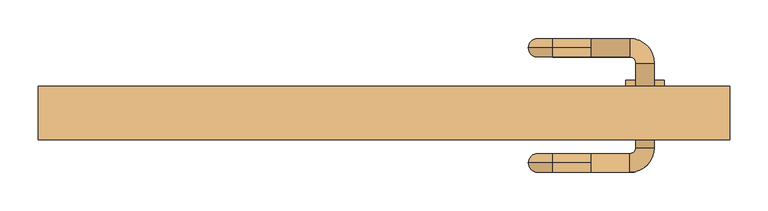
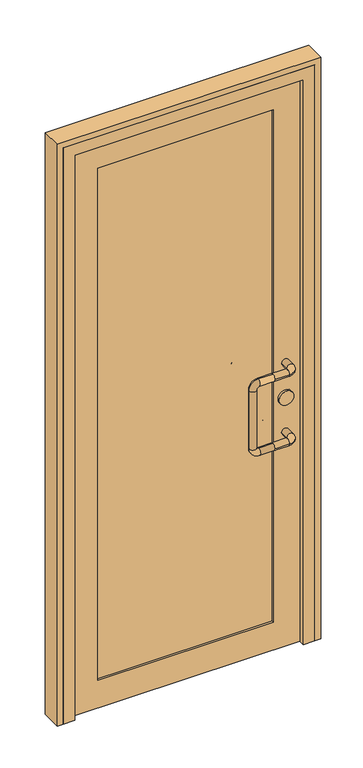
"""IFC4 building model written with IfcOpenShell, lengths in millimetres: door geometry."""

import ifcopenshell
import ifcopenshell.guid

model = None  # the IFC model being written
_history = None  # IfcOwnerHistory: only IFC2X3 demands one
_inside = {}  # id of a spatial element -> (the spatial element, [elements in it])
_under = {}  # id of a project, library or spatial element -> (it, [spatial elements below it])
_declared = {}  # id of a project -> (the project, [libraries it declares])
_typed = {}  # id of a type object -> (the type object, [elements of that type])
_made_of = {}  # id of a material, layer set ... -> (it, [elements and type objects made of it])


def new_model(schema):
    """Start an empty IFC model of exactly this schema.

    Asked for "IFC4X3", IfcOpenShell would pick the latest addendum, in which some entities
    have other attributes; the version numbers below select the first issue.
    IFC2X3 requires an IfcOwnerHistory on every rooted entity: one is made here for all.
    """
    global model, _history
    if schema == "IFC4X3":
        model = ifcopenshell.file(schema_version=(4, 3, 0, 0))
    else:
        model = ifcopenshell.file(schema=schema)
    _inside.clear()
    _under.clear()
    _declared.clear()
    _typed.clear()
    _made_of.clear()
    _history = None
    if model.schema == "IFC2X3":
        org = make("IfcOrganization", Name="unknown")
        user = make(
            "IfcPersonAndOrganization",
            ThePerson=make("IfcPerson", FamilyName="unknown"),
            TheOrganization=org,
        )
        app = make(
            "IfcApplication",
            ApplicationDeveloper=org,
            Version="unknown",
            ApplicationFullName="unknown",
            ApplicationIdentifier="unknown",
        )
        _history = make(
            "IfcOwnerHistory",
            OwningUser=user,
            OwningApplication=app,
            ChangeAction="ADDED",
            CreationDate=0,
        )
    return model


def make(cls, **values):
    """One entity of the class cls with the attributes given. An attribute that is None is left unset."""
    return model.create_entity(
        cls, **{name: value for name, value in values.items() if value is not None}
    )


def rooted(cls, **values):
    """An entity with a GlobalId (a new one), such as an element, a storey or a relation."""
    return make(cls, GlobalId=ifcopenshell.guid.new(), OwnerHistory=_history, **values)


def si_unit(unit_type, name, prefix=None):
    """IfcSIUnit, for example si_unit("LENGTHUNIT", "METRE", prefix="MILLI")."""
    return make("IfcSIUnit", UnitType=unit_type, Prefix=prefix, Name=name)


def assignment(units):
    """IfcUnitAssignment: the units of a project."""
    return None if units is None else make("IfcUnitAssignment", Units=units)


def point(xyz):
    """IfcCartesianPoint."""
    return None if xyz is None else make("IfcCartesianPoint", Coordinates=xyz)


def direction(xyz):
    """IfcDirection."""
    return None if xyz is None else make("IfcDirection", DirectionRatios=xyz)


def frame(location, z_axis=None, x_axis=None):
    """IfcAxis2Placement3D, a coordinate frame: its origin and axes. An axis left out is left unset."""
    return make(
        "IfcAxis2Placement3D",
        Location=point(location),
        Axis=direction(z_axis),
        RefDirection=direction(x_axis),
    )


def frame_2d(location, x_axis=None):
    """IfcAxis2Placement2D, a coordinate frame in the plane: its origin and x axis."""
    return make(
        "IfcAxis2Placement2D", Location=point(location), RefDirection=direction(x_axis)
    )


def origin():
    """The frame at (0, 0, 0) with its axes left unset."""
    return frame((0.0, 0.0, 0.0))


def place(relative_to, where):
    """IfcLocalPlacement: puts the frame where relative to a parent placement (None: the world)."""
    return make(
        "IfcLocalPlacement", PlacementRelTo=relative_to, RelativePlacement=where
    )


def context(
    kind, dimensions, precision=None, world=None, true_north=None, identifier=None
):
    """IfcGeometricRepresentationContext, for example the 3D "Model" context."""
    return make(
        "IfcGeometricRepresentationContext",
        ContextIdentifier=identifier,
        ContextType=kind,
        CoordinateSpaceDimension=dimensions,
        Precision=precision,
        WorldCoordinateSystem=world,
        TrueNorth=true_north,
    )


def project(units=None, contexts=None):
    """IfcProject with its units and contexts."""
    return rooted(
        "IfcProject",
        Name="project",
        RepresentationContexts=contexts,
        UnitsInContext=assignment(units),
    )


def spatial(cls, under=None, at=None, **own):
    """A site, building, storey or space (cls), placed at a placement, below another one or the project."""
    s = rooted(cls, ObjectPlacement=at, **own)
    if under is not None:
        _under.setdefault(under.id(), (under, []))[1].append(s)
    return s


def polyline(points):
    """IfcPolyline through the points."""
    return make("IfcPolyline", Points=[point(p) for p in points])


def circle_curve(where, radius):
    """IfcCircle in the frame where."""
    return make("IfcCircle", Position=where, Radius=radius)


def ellipse_curve(where, semi_axis1, semi_axis2):
    """IfcEllipse in the frame where."""
    return make(
        "IfcEllipse", Position=where, SemiAxis1=semi_axis1, SemiAxis2=semi_axis2
    )


def trimmed(basis, trim1, trim2, sense, master):
    """IfcTrimmedCurve: the piece of a basis curve between two trims."""
    return make(
        "IfcTrimmedCurve",
        BasisCurve=basis,
        Trim1=trim1,
        Trim2=trim2,
        SenseAgreement=sense,
        MasterRepresentation=master,
    )


def segment(curve, same_sense, transition):
    """IfcCompositeCurveSegment."""
    return make(
        "IfcCompositeCurveSegment",
        Transition=transition,
        SameSense=same_sense,
        ParentCurve=curve,
    )


def composite_curve(segments, self_intersect=None):
    """IfcCompositeCurve: segments joined end to end."""
    return make("IfcCompositeCurve", Segments=segments, SelfIntersect=self_intersect)


def outline(outer, holes=None, kind="AREA"):
    """IfcArbitraryClosedProfileDef: a profile drawn as a closed curve; with holes, ...WithVoids."""
    if holes is None:
        return make("IfcArbitraryClosedProfileDef", ProfileType=kind, OuterCurve=outer)
    return make(
        "IfcArbitraryProfileDefWithVoids",
        ProfileType=kind,
        OuterCurve=outer,
        InnerCurves=holes,
    )


def extrude(swept, where, along, depth):
    """IfcExtrudedAreaSolid: the profile swept, set in the frame where, extruded along a direction by depth."""
    return make(
        "IfcExtrudedAreaSolid",
        SweptArea=swept,
        Position=where,
        ExtrudedDirection=direction(along),
        Depth=depth,
    )


def faces_of(points, faces, orient=None, outer=None):
    """IfcFace entities. A face is a list of loops; a loop is a list of indices into points, from 0.

    orient and outer hold one flag for each loop. By default every Orientation is true, the
    first loop of a face is its IfcFaceOuterBound and the others are IfcFaceBound.
    """
    made = []
    for i, loops in enumerate(faces):
        bounds = []
        for j, loop in enumerate(loops):
            is_outer = j == 0 if outer is None else outer[i][j]
            bounds.append(
                make(
                    "IfcFaceOuterBound" if is_outer else "IfcFaceBound",
                    Bound=make("IfcPolyLoop", Polygon=[points[k] for k in loop]),
                    Orientation=True if orient is None else orient[i][j],
                )
            )
        made.append(make("IfcFace", Bounds=bounds))
    return made


def faceted_brep(points, faces, orient=None, outer=None, voids=None):
    """IfcFacetedBrep: a solid bounded by flat faces; with voids (closed shells), ...WithVoids."""
    shared = [point(p) for p in points]
    hull = make("IfcClosedShell", CfsFaces=faces_of(shared, faces, orient, outer))
    if voids is None:
        return make("IfcFacetedBrep", Outer=hull)
    return make(
        "IfcFacetedBrepWithVoids",
        Outer=hull,
        Voids=[
            make(cls, CfsFaces=faces_of(shared, fs, o, b)) for cls, fs, o, b in voids
        ],
    )


def shape(context_of_items, identifier, shape_type, items):
    """IfcShapeRepresentation: the items that make up one representation, for example the "Body"."""
    return make(
        "IfcShapeRepresentation",
        ContextOfItems=context_of_items,
        RepresentationIdentifier=identifier,
        RepresentationType=shape_type,
        Items=items,
    )


def source(mapping_origin, context_of_items, identifier, shape_type, items):
    """IfcRepresentationMap: a shape defined once, which mapped items show again and again."""
    return make(
        "IfcRepresentationMap",
        MappingOrigin=mapping_origin,
        MappedRepresentation=shape(context_of_items, identifier, shape_type, items),
    )


def transform(
    local_origin,
    x_axis=None,
    y_axis=None,
    z_axis=None,
    scale=None,
    scale2=None,
    scale3=None,
    uniform=True,
):
    """IfcCartesianTransformationOperator3D, or its non-uniform kind. x_axis, y_axis, z_axis: its Axis1, 2, 3."""
    if uniform:
        return make(
            "IfcCartesianTransformationOperator3D",
            Axis1=direction(x_axis),
            Axis2=direction(y_axis),
            LocalOrigin=point(local_origin),
            Scale=scale,
            Axis3=direction(z_axis),
        )
    return make(
        "IfcCartesianTransformationOperator3DnonUniform",
        Axis1=direction(x_axis),
        Axis2=direction(y_axis),
        LocalOrigin=point(local_origin),
        Scale=scale,
        Axis3=direction(z_axis),
        Scale2=scale2,
        Scale3=scale3,
    )


def mapped(mapping_source, mapping_target):
    """IfcMappedItem: shows the shape of a source again, moved by a transform."""
    return make(
        "IfcMappedItem", MappingSource=mapping_source, MappingTarget=mapping_target
    )


def made_of(thing, what):
    """Note that an element or type object is made of a material, layer set ...; save() writes the relation."""
    if what is not None:
        _made_of.setdefault(what.id(), (what, []))[1].append(thing)
    return thing


def element(
    cls,
    number,
    at=None,
    inside=None,
    cuts=None,
    type_object=None,
    material=None,
    context=None,
    identifier="Body",
    shape_type=None,
    held_by="IfcProductDefinitionShape",
    body=None,
    shapes=None,
    **own,
):
    """One element of the class cls, such as IfcWall. Its Tag is "e" and its number.

    at: its placement. inside: the storey or other place that contains it. cuts: it is an
    opening in that element (IfcRelVoidsElement). A single representation is given by context,
    identifier, shape_type and body (its items); several are given by shapes. held_by: the class
    of the entity that holds the representations. save() writes the other relations.
    """
    e = rooted(cls, Tag="e%d" % number, ObjectPlacement=at, **own)
    if body is not None:
        shapes = [shape(context, identifier, shape_type, body)]
    if shapes is not None:
        e.Representation = make(held_by, Representations=shapes)
    if inside is not None:
        _inside.setdefault(inside.id(), (inside, []))[1].append(e)
    if cuts is not None:
        rooted(
            "IfcRelVoidsElement", RelatingBuildingElement=cuts, RelatedOpeningElement=e
        )
    if type_object is not None:
        _typed.setdefault(type_object.id(), (type_object, []))[1].append(e)
    return made_of(e, material)


def aggregate(whole, parts):
    """IfcRelAggregates: a whole, such as a stair, and the parts it consists of."""
    return rooted("IfcRelAggregates", RelatingObject=whole, RelatedObjects=parts)


def save(model, path):
    """Write the relations noted so far, then the file.

    IfcRelAggregates (storeys below a building ...), IfcRelContainedInSpatialStructure (elements
    in a storey), IfcRelDefinesByType, IfcRelAssociatesMaterial and IfcRelDeclares: one each for
    every whole, place, type object, material and project.
    """
    for whole, parts in _under.values():
        aggregate(whole, parts)
    for where, things in _inside.values():
        rooted(
            "IfcRelContainedInSpatialStructure",
            RelatedElements=things,
            RelatingStructure=where,
        )
    for kind, things in _typed.values():
        rooted("IfcRelDefinesByType", RelatedObjects=things, RelatingType=kind)
    for what, things in _made_of.values():
        rooted("IfcRelAssociatesMaterial", RelatedObjects=things, RelatingMaterial=what)
    for by, libraries in _declared.values():
        rooted("IfcRelDeclares", RelatingContext=by, RelatedDefinitions=libraries)
    model.write(path)


def cylinder_surface(at, radius):
    """IfcCylindricalSurface: all points at the distance radius from the z axis of the frame at."""
    return make("IfcCylindricalSurface", Position=at, Radius=radius)


def revolved_surface(curve, axis_point, axis_direction):
    """IfcSurfaceOfRevolution: the curve turned about the line through axis_point along axis_direction."""
    return make(
        "IfcSurfaceOfRevolution",
        SweptCurve=make("IfcArbitraryOpenProfileDef", ProfileType="CURVE", Curve=curve),
        AxisPosition=make("IfcAxis1Placement", Location=point(axis_point), Axis=direction(axis_direction)),
    )


def advanced_brep(points, edges, surfaces, faces):
    """IfcAdvancedBrep: a solid bounded by faces that lie on surfaces and meet in shared edges.

    An edge is (start, end): straight between two places in points (the first is 0);
    or (start, end, curve); or (start, end, curve, False) where it runs against its curve.
    A face is (place in surfaces, loops), or (place, loops, False) where it looks against
    its surface's normal. A loop lists edges by number (the first is 1), with a minus sign
    where the edge is run from its end to its start. The first loop is the outer one.
    """
    corners = [point(p) for p in points]
    vertices = [make("IfcVertexPoint", VertexGeometry=c) for c in corners]
    made = []
    for start, end, *more in edges:
        made.append(
            make(
                "IfcEdgeCurve",
                EdgeStart=vertices[start],
                EdgeEnd=vertices[end],
                EdgeGeometry=more[0] if more else make("IfcPolyline", Points=[corners[start], corners[end]]),
                SameSense=more[1] if len(more) > 1 else True,
            )
        )
    hull = []
    for where, loops, *sense in faces:
        bounds = []
        for j, loop in enumerate(loops):
            ring = [make("IfcOrientedEdge", EdgeElement=made[abs(k) - 1], Orientation=k > 0) for k in loop]
            bounds.append(
                make(
                    "IfcFaceOuterBound" if j == 0 else "IfcFaceBound",
                    Bound=make("IfcEdgeLoop", EdgeList=ring),
                    Orientation=True,
                )
            )
        hull.append(make("IfcAdvancedFace", Bounds=bounds, FaceSurface=surfaces[where], SameSense=sense[0] if sense else True))
    return make("IfcAdvancedBrep", Outer=make("IfcClosedShell", CfsFaces=hull))


def door_bcf7121a(model_context):
    return source(origin(), model_context, "Body", "SolidModel", [
        advanced_brep(
        [(270.0, 122.0, 1025.0), (270.0, 110.0, 1037.0), (270.0, 98.0, 1025.0), (320.0, 98.0, 1025.0), (320.0, 122.0, 1025.0), (270.0, 110.0, 1013.0), (328.0, 90.0, 1025.0), (352.0, 90.0, 1025.0), (328.0, -20.0, 1025.0), (352.0, -20.0, 1025.0), (320.0, -28.0, 1025.0), (320.0, -52.0, 1025.0), (270.0, -28.0, 1025.0), (270.0, -40.0, 1037.0), (270.0, -52.0, 1025.0), (270.0, -40.0, 1013.0), (220.0, 110.0, 1037.0), (220.0, 110.0, 1013.0), (188.0, 110.0, 1005.0), (212.0, 110.0, 1005.0), (188.0, 110.0, 795.0), (212.0, 110.0, 795.0), (220.0, 110.0, 763.0), (220.0, 110.0, 787.0), (270.0, 110.0, 763.0), (270.0, 98.0, 775.0), (270.0, 110.0, 787.0), (270.0, 122.0, 775.0), (320.0, 98.0, 775.0), (320.0, 122.0, 775.0), (328.0, 90.0, 775.0), (352.0, 90.0, 775.0), (328.0, -20.0, 775.0), (352.0, -20.0, 775.0), (320.0, -28.0, 775.0), (320.0, -52.0, 775.0), (270.0, -28.0, 775.0), (270.0, -40.0, 787.0), (270.0, -52.0, 775.0), (270.0, -40.0, 763.0), (220.0, -40.0, 1037.0), (220.0, -40.0, 1013.0), (188.0, -40.0, 1005.0), (212.0, -40.0, 1005.0), (188.0, -40.0, 795.0), (212.0, -40.0, 795.0), (220.0, -40.0, 763.0), (220.0, -40.0, 787.0)],
        [
            (0, 1, circle_curve(frame((270.0, 110.0, 1025.0), z_axis=(1.0, 0.0, 0.0), x_axis=(0.0, -1.0, 0.0)), 12.0)),
            (1, 2, circle_curve(frame((270.0, 110.0, 1025.0), z_axis=(1.0, 0.0, 0.0), x_axis=(0.0, -1.0, 0.0)), 12.0)),
            (2, 3),
            (3, 4, circle_curve(frame((320.0, 110.0, 1025.0), z_axis=(-1.0, 0.0, 0.0), x_axis=(0.0, -1.0, 0.0)), 12.0)),
            (4, 0),
            (4, 3, circle_curve(frame((320.0, 110.0, 1025.0), z_axis=(-1.0, 0.0, 0.0), x_axis=(0.0, -1.0, 0.0)), 12.0)),
            (2, 5, circle_curve(frame((270.0, 110.0, 1025.0), z_axis=(1.0, 0.0, 0.0), x_axis=(0.0, -1.0, 0.0)), 12.0)),
            (5, 0, circle_curve(frame((270.0, 110.0, 1025.0), z_axis=(1.0, 0.0, 0.0), x_axis=(0.0, -1.0, 0.0)), 12.0)),
            (3, 6, circle_curve(frame((320.0, 90.0, 1025.0), z_axis=(0.0, 0.0, -1.0), x_axis=(0.0, 1.0, 0.0)), 8.0)),
            (6, 7, circle_curve(frame((340.0, 90.0, 1025.0), z_axis=(0.0, 1.0, 0.0), x_axis=(-1.0, 0.0, 0.0)), 12.0)),
            (7, 4, circle_curve(frame((320.0, 90.0, 1025.0), z_axis=(0.0, 0.0, 1.0), x_axis=(0.0, 1.0, 0.0)), 32.0)),
            (7, 6, circle_curve(frame((340.0, 90.0, 1025.0), z_axis=(0.0, 1.0, 0.0), x_axis=(-1.0, 0.0, 0.0)), 12.0)),
            (6, 8),
            (8, 9, circle_curve(frame((340.0, -20.0, 1025.0), z_axis=(0.0, 1.0, 0.0), x_axis=(-1.0, 0.0, 0.0)), 12.0)),
            (9, 7),
            (9, 8, circle_curve(frame((340.0, -20.0, 1025.0), z_axis=(0.0, 1.0, 0.0), x_axis=(-1.0, 0.0, 0.0)), 12.0)),
            (8, 10, circle_curve(frame((320.0, -20.0, 1025.0), z_axis=(0.0, 0.0, -1.0), x_axis=(1.0, 0.0, 0.0)), 8.0)),
            (10, 11, circle_curve(frame((320.0, -40.0, 1025.0), z_axis=(1.0, 0.0, 0.0), x_axis=(0.0, 1.0, 0.0)), 12.0)),
            (11, 9, circle_curve(frame((320.0, -20.0, 1025.0), z_axis=(0.0, 0.0, 1.0), x_axis=(1.0, 0.0, 0.0)), 32.0)),
            (11, 10, circle_curve(frame((320.0, -40.0, 1025.0), z_axis=(1.0, 0.0, 0.0), x_axis=(0.0, 1.0, 0.0)), 12.0)),
            (10, 12),
            (12, 13, circle_curve(frame((270.0, -40.0, 1025.0), z_axis=(1.0, 0.0, 0.0), x_axis=(0.0, 1.0, 0.0)), 12.0)),
            (13, 14, circle_curve(frame((270.0, -40.0, 1025.0), z_axis=(1.0, 0.0, 0.0), x_axis=(0.0, 1.0, 0.0)), 12.0)),
            (14, 11),
            (14, 15, circle_curve(frame((270.0, -40.0, 1025.0), z_axis=(1.0, 0.0, 0.0), x_axis=(0.0, 1.0, 0.0)), 12.0)),
            (15, 12, circle_curve(frame((270.0, -40.0, 1025.0), z_axis=(1.0, 0.0, 0.0), x_axis=(0.0, 1.0, 0.0)), 12.0)),
            (1, 16),
            (16, 17, circle_curve(frame((220.0, 110.0, 1025.0), z_axis=(1.0, 0.0, 0.0), x_axis=(0.0, 0.0, 1.0)), 12.0)),
            (17, 5),
            (17, 16, circle_curve(frame((220.0, 110.0, 1025.0), z_axis=(1.0, 0.0, 0.0), x_axis=(0.0, 0.0, 1.0)), 12.0)),
            (16, 18, circle_curve(frame((220.0, 110.0, 1005.0), z_axis=(0.0, -1.0, 0.0), x_axis=(0.0, 0.0, 1.0)), 32.0)),
            (18, 19, circle_curve(frame((200.0, 110.0, 1005.0), z_axis=(0.0, 0.0, 1.0), x_axis=(-1.0, 0.0, 0.0)), 12.0)),
            (19, 17, circle_curve(frame((220.0, 110.0, 1005.0), z_axis=(0.0, 1.0, 0.0), x_axis=(0.0, 0.0, 1.0)), 8.0)),
            (19, 18, circle_curve(frame((200.0, 110.0, 1005.0), z_axis=(0.0, 0.0, 1.0), x_axis=(-1.0, 0.0, 0.0)), 12.0)),
            (18, 20),
            (20, 21, circle_curve(frame((200.0, 110.0, 795.0), z_axis=(0.0, 0.0, 1.0), x_axis=(-1.0, 0.0, 0.0)), 12.0)),
            (21, 19),
            (21, 20, circle_curve(frame((200.0, 110.0, 795.0), z_axis=(0.0, 0.0, 1.0), x_axis=(-1.0, 0.0, 0.0)), 12.0)),
            (20, 22, circle_curve(frame((220.0, 110.0, 795.0), z_axis=(0.0, -1.0, 0.0), x_axis=(-1.0, 0.0, 0.0)), 32.0)),
            (22, 23, circle_curve(frame((220.0, 110.0, 775.0), z_axis=(-1.0, 0.0, 0.0), x_axis=(0.0, 0.0, -1.0)), 12.0)),
            (23, 21, circle_curve(frame((220.0, 110.0, 795.0), z_axis=(0.0, 1.0, 0.0), x_axis=(-1.0, 0.0, 0.0)), 8.0)),
            (23, 22, circle_curve(frame((220.0, 110.0, 775.0), z_axis=(-1.0, 0.0, 0.0), x_axis=(0.0, 0.0, -1.0)), 12.0)),
            (22, 24),
            (24, 25, circle_curve(frame((270.0, 110.0, 775.0), z_axis=(-1.0, 0.0, 0.0), x_axis=(0.0, 0.0, -1.0)), 12.0)),
            (25, 26, circle_curve(frame((270.0, 110.0, 775.0), z_axis=(-1.0, 0.0, 0.0), x_axis=(0.0, 0.0, -1.0)), 12.0)),
            (26, 23),
            (26, 27, circle_curve(frame((270.0, 110.0, 775.0), z_axis=(-1.0, 0.0, 0.0), x_axis=(0.0, 0.0, -1.0)), 12.0)),
            (27, 24, circle_curve(frame((270.0, 110.0, 775.0), z_axis=(-1.0, 0.0, 0.0), x_axis=(0.0, 0.0, -1.0)), 12.0)),
            (25, 28),
            (28, 29, circle_curve(frame((320.0, 110.0, 775.0), z_axis=(-1.0, 0.0, 0.0), x_axis=(0.0, -1.0, 0.0)), 12.0)),
            (29, 27),
            (29, 28, circle_curve(frame((320.0, 110.0, 775.0), z_axis=(-1.0, 0.0, 0.0), x_axis=(0.0, -1.0, 0.0)), 12.0)),
            (28, 30, circle_curve(frame((320.0, 90.0, 775.0), z_axis=(0.0, 0.0, -1.0), x_axis=(0.0, 1.0, 0.0)), 8.0)),
            (30, 31, circle_curve(frame((340.0, 90.0, 775.0), z_axis=(0.0, 1.0, 0.0), x_axis=(-1.0, 0.0, 0.0)), 12.0)),
            (31, 29, circle_curve(frame((320.0, 90.0, 775.0), z_axis=(0.0, 0.0, 1.0), x_axis=(0.0, 1.0, 0.0)), 32.0)),
            (31, 30, circle_curve(frame((340.0, 90.0, 775.0), z_axis=(0.0, 1.0, 0.0), x_axis=(-1.0, 0.0, 0.0)), 12.0)),
            (30, 32),
            (32, 33, circle_curve(frame((340.0, -20.0, 775.0), z_axis=(0.0, 1.0, 0.0), x_axis=(-1.0, 0.0, 0.0)), 12.0)),
            (33, 31),
            (33, 32, circle_curve(frame((340.0, -20.0, 775.0), z_axis=(0.0, 1.0, 0.0), x_axis=(-1.0, 0.0, 0.0)), 12.0)),
            (32, 34, circle_curve(frame((320.0, -20.0, 775.0), z_axis=(0.0, 0.0, -1.0), x_axis=(1.0, 0.0, 0.0)), 8.0)),
            (34, 35, circle_curve(frame((320.0, -40.0, 775.0), z_axis=(1.0, 0.0, 0.0), x_axis=(0.0, 1.0, 0.0)), 12.0)),
            (35, 33, circle_curve(frame((320.0, -20.0, 775.0), z_axis=(0.0, 0.0, 1.0), x_axis=(1.0, 0.0, 0.0)), 32.0)),
            (35, 34, circle_curve(frame((320.0, -40.0, 775.0), z_axis=(1.0, 0.0, 0.0), x_axis=(0.0, 1.0, 0.0)), 12.0)),
            (34, 36),
            (36, 37, circle_curve(frame((270.0, -40.0, 775.0), z_axis=(1.0, 0.0, 0.0), x_axis=(0.0, 1.0, 0.0)), 12.0)),
            (37, 38, circle_curve(frame((270.0, -40.0, 775.0), z_axis=(1.0, 0.0, 0.0), x_axis=(0.0, 1.0, 0.0)), 12.0)),
            (38, 35),
            (38, 39, circle_curve(frame((270.0, -40.0, 775.0), z_axis=(1.0, 0.0, 0.0), x_axis=(0.0, 1.0, 0.0)), 12.0)),
            (39, 36, circle_curve(frame((270.0, -40.0, 775.0), z_axis=(1.0, 0.0, 0.0), x_axis=(0.0, 1.0, 0.0)), 12.0)),
            (13, 40),
            (40, 41, circle_curve(frame((220.0, -40.0, 1025.0), z_axis=(1.0, 0.0, 0.0), x_axis=(0.0, 0.0, 1.0)), 12.0)),
            (41, 15),
            (41, 40, circle_curve(frame((220.0, -40.0, 1025.0), z_axis=(1.0, 0.0, 0.0), x_axis=(0.0, 0.0, 1.0)), 12.0)),
            (40, 42, circle_curve(frame((220.0, -40.0, 1005.0), z_axis=(0.0, -1.0, 0.0), x_axis=(0.0, 0.0, 1.0)), 32.0)),
            (42, 43, circle_curve(frame((200.0, -40.0, 1005.0), z_axis=(0.0, 0.0, 1.0), x_axis=(-1.0, 0.0, 0.0)), 12.0)),
            (43, 41, circle_curve(frame((220.0, -40.0, 1005.0), z_axis=(0.0, 1.0, 0.0), x_axis=(0.0, 0.0, 1.0)), 8.0)),
            (43, 42, circle_curve(frame((200.0, -40.0, 1005.0), z_axis=(0.0, 0.0, 1.0), x_axis=(-1.0, 0.0, 0.0)), 12.0)),
            (42, 44),
            (44, 45, circle_curve(frame((200.0, -40.0, 795.0), z_axis=(0.0, 0.0, 1.0), x_axis=(-1.0, 0.0, 0.0)), 12.0)),
            (45, 43),
            (45, 44, circle_curve(frame((200.0, -40.0, 795.0), z_axis=(0.0, 0.0, 1.0), x_axis=(-1.0, 0.0, 0.0)), 12.0)),
            (44, 46, circle_curve(frame((220.0, -40.0, 795.0), z_axis=(0.0, -1.0, 0.0), x_axis=(-1.0, 0.0, 0.0)), 32.0)),
            (46, 47, circle_curve(frame((220.0, -40.0, 775.0), z_axis=(-1.0, 0.0, 0.0), x_axis=(0.0, 0.0, -1.0)), 12.0)),
            (47, 45, circle_curve(frame((220.0, -40.0, 795.0), z_axis=(0.0, 1.0, 0.0), x_axis=(-1.0, 0.0, 0.0)), 8.0)),
            (47, 46, circle_curve(frame((220.0, -40.0, 775.0), z_axis=(-1.0, 0.0, 0.0), x_axis=(0.0, 0.0, -1.0)), 12.0)),
            (46, 39),
            (37, 47),
        ],
        [
            cylinder_surface(frame((270.0, 110.0, 1025.0), z_axis=(-1.0, 0.0, 0.0), x_axis=(0.0, -1.0, 0.0)), 12.0),
            revolved_surface(trimmed(ellipse_curve(frame((320.0, 110.0, 1025.0), z_axis=(1.0, 0.0, 0.0), x_axis=(0.0, -1.0, 0.0)), 12.0, 12.0), [point((320.0, 122.0, 1025.0))], [point((320.0, 98.0, 1025.0))], True, "CARTESIAN"), (320.0, 90.0, 1025.0), (0.0, 0.0, 1.0)),
            revolved_surface(trimmed(ellipse_curve(frame((320.0, 110.0, 1025.0), z_axis=(1.0, 0.0, 0.0), x_axis=(0.0, -1.0, 0.0)), 12.0, 12.0), [point((320.0, 98.0, 1025.0))], [point((320.0, 122.0, 1025.0))], True, "CARTESIAN"), (320.0, 90.0, 1025.0), (0.0, 0.0, 1.0)),
            cylinder_surface(frame((340.0, 90.0, 1025.0), z_axis=(0.0, 1.0, 0.0), x_axis=(-1.0, 0.0, 0.0)), 12.0),
            revolved_surface(trimmed(ellipse_curve(frame((340.0, -20.0, 1025.0), z_axis=(0.0, -1.0, 0.0), x_axis=(-1.0, 0.0, 0.0)), 12.0, 12.0), [point((352.0, -20.0, 1025.0))], [point((328.0, -20.0, 1025.0))], True, "CARTESIAN"), (320.0, -20.0, 1025.0), (0.0, 0.0, 1.0)),
            revolved_surface(trimmed(ellipse_curve(frame((340.0, -20.0, 1025.0), z_axis=(0.0, -1.0, 0.0), x_axis=(-1.0, 0.0, 0.0)), 12.0, 12.0), [point((328.0, -20.0, 1025.0))], [point((352.0, -20.0, 1025.0))], True, "CARTESIAN"), (320.0, -20.0, 1025.0), (0.0, 0.0, 1.0)),
            cylinder_surface(frame((320.0, -40.0, 1025.0), z_axis=(1.0, 0.0, 0.0), x_axis=(0.0, 1.0, 0.0)), 12.0),
            cylinder_surface(frame((270.0, 110.0, 1025.0), z_axis=(1.0, 0.0, 0.0), x_axis=(0.0, 0.0, 1.0)), 12.0),
            revolved_surface(trimmed(ellipse_curve(frame((220.0, 110.0, 1025.0), z_axis=(-1.0, 0.0, 0.0), x_axis=(0.0, 0.0, 1.0)), 12.0, 12.0), [point((220.0, 110.0, 1013.0))], [point((220.0, 110.0, 1037.0))], True, "CARTESIAN"), (220.0, 110.0, 1005.0), (0.0, 1.0, 0.0)),
            revolved_surface(trimmed(ellipse_curve(frame((220.0, 110.0, 1025.0), z_axis=(-1.0, 0.0, 0.0), x_axis=(0.0, 0.0, 1.0)), 12.0, 12.0), [point((220.0, 110.0, 1037.0))], [point((220.0, 110.0, 1013.0))], True, "CARTESIAN"), (220.0, 110.0, 1005.0), (0.0, 1.0, 0.0)),
            cylinder_surface(frame((200.0, 110.0, 1005.0), z_axis=(0.0, 0.0, 1.0), x_axis=(-1.0, 0.0, 0.0)), 12.0),
            revolved_surface(trimmed(ellipse_curve(frame((200.0, 110.0, 795.0), z_axis=(0.0, 0.0, -1.0), x_axis=(-1.0, 0.0, 0.0)), 12.0, 12.0), [point((212.0, 110.0, 795.0))], [point((188.0, 110.0, 795.0))], True, "CARTESIAN"), (220.0, 110.0, 795.0), (0.0, 1.0, 0.0)),
            revolved_surface(trimmed(ellipse_curve(frame((200.0, 110.0, 795.0), z_axis=(0.0, 0.0, -1.0), x_axis=(-1.0, 0.0, 0.0)), 12.0, 12.0), [point((188.0, 110.0, 795.0))], [point((212.0, 110.0, 795.0))], True, "CARTESIAN"), (220.0, 110.0, 795.0), (0.0, 1.0, 0.0)),
            cylinder_surface(frame((220.0, 110.0, 775.0), z_axis=(-1.0, 0.0, 0.0), x_axis=(0.0, 0.0, -1.0)), 12.0),
            cylinder_surface(frame((270.0, 110.0, 775.0), z_axis=(-1.0, 0.0, 0.0), x_axis=(0.0, -1.0, 0.0)), 12.0),
            revolved_surface(trimmed(ellipse_curve(frame((320.0, 110.0, 775.0), z_axis=(1.0, 0.0, 0.0), x_axis=(0.0, -1.0, 0.0)), 12.0, 12.0), [point((320.0, 122.0, 775.0))], [point((320.0, 98.0, 775.0))], True, "CARTESIAN"), (320.0, 90.0, 775.0), (0.0, 0.0, 1.0)),
            revolved_surface(trimmed(ellipse_curve(frame((320.0, 110.0, 775.0), z_axis=(1.0, 0.0, 0.0), x_axis=(0.0, -1.0, 0.0)), 12.0, 12.0), [point((320.0, 98.0, 775.0))], [point((320.0, 122.0, 775.0))], True, "CARTESIAN"), (320.0, 90.0, 775.0), (0.0, 0.0, 1.0)),
            cylinder_surface(frame((340.0, 90.0, 775.0), z_axis=(0.0, 1.0, 0.0), x_axis=(-1.0, 0.0, 0.0)), 12.0),
            revolved_surface(trimmed(ellipse_curve(frame((340.0, -20.0, 775.0), z_axis=(0.0, -1.0, 0.0), x_axis=(-1.0, 0.0, 0.0)), 12.0, 12.0), [point((352.0, -20.0, 775.0))], [point((328.0, -20.0, 775.0))], True, "CARTESIAN"), (320.0, -20.0, 775.0), (0.0, 0.0, 1.0)),
            revolved_surface(trimmed(ellipse_curve(frame((340.0, -20.0, 775.0), z_axis=(0.0, -1.0, 0.0), x_axis=(-1.0, 0.0, 0.0)), 12.0, 12.0), [point((328.0, -20.0, 775.0))], [point((352.0, -20.0, 775.0))], True, "CARTESIAN"), (320.0, -20.0, 775.0), (0.0, 0.0, 1.0)),
            cylinder_surface(frame((320.0, -40.0, 775.0), z_axis=(1.0, 0.0, 0.0), x_axis=(0.0, 1.0, 0.0)), 12.0),
            cylinder_surface(frame((270.0, -40.0, 1025.0), z_axis=(1.0, 0.0, 0.0), x_axis=(0.0, 0.0, 1.0)), 12.0),
            revolved_surface(trimmed(ellipse_curve(frame((220.0, -40.0, 1025.0), z_axis=(-1.0, 0.0, 0.0), x_axis=(0.0, 0.0, 1.0)), 12.0, 12.0), [point((220.0, -40.0, 1013.0))], [point((220.0, -40.0, 1037.0))], True, "CARTESIAN"), (220.0, -40.0, 1005.0), (0.0, 1.0, 0.0)),
            revolved_surface(trimmed(ellipse_curve(frame((220.0, -40.0, 1025.0), z_axis=(-1.0, 0.0, 0.0), x_axis=(0.0, 0.0, 1.0)), 12.0, 12.0), [point((220.0, -40.0, 1037.0))], [point((220.0, -40.0, 1013.0))], True, "CARTESIAN"), (220.0, -40.0, 1005.0), (0.0, 1.0, 0.0)),
            cylinder_surface(frame((200.0, -40.0, 1005.0), z_axis=(0.0, 0.0, 1.0), x_axis=(-1.0, 0.0, 0.0)), 12.0),
            revolved_surface(trimmed(ellipse_curve(frame((200.0, -40.0, 795.0), z_axis=(0.0, 0.0, -1.0), x_axis=(-1.0, 0.0, 0.0)), 12.0, 12.0), [point((212.0, -40.0, 795.0))], [point((188.0, -40.0, 795.0))], True, "CARTESIAN"), (220.0, -40.0, 795.0), (0.0, 1.0, 0.0)),
            revolved_surface(trimmed(ellipse_curve(frame((200.0, -40.0, 795.0), z_axis=(0.0, 0.0, -1.0), x_axis=(-1.0, 0.0, 0.0)), 12.0, 12.0), [point((188.0, -40.0, 795.0))], [point((212.0, -40.0, 795.0))], True, "CARTESIAN"), (220.0, -40.0, 795.0), (0.0, 1.0, 0.0)),
            cylinder_surface(frame((220.0, -40.0, 775.0), z_axis=(-1.0, 0.0, 0.0), x_axis=(0.0, 0.0, -1.0)), 12.0),
        ],
        [
            (0, [[1, 2, 3, 4, 5]]),
            (0, [[6, -3, 7, 8, -5]]),
            (1, [[9, 10, 11, -4]]),
            (2, [[-11, 12, -9, -6]]),
            (3, [[13, 14, 15, -10]]),
            (3, [[-15, 16, -13, -12]]),
            (4, [[17, 18, 19, -14]]),
            (5, [[-19, 20, -17, -16]]),
            (6, [[21, 22, 23, 24, -18]]),
            (6, [[-24, 25, 26, -21, -20]]),
            (7, [[-7, -2, 27, 28, 29]]),
            (7, [[30, -27, -1, -8, -29]]),
            (8, [[31, 32, 33, -28]]),
            (9, [[-33, 34, -31, -30]]),
            (10, [[35, 36, 37, -32]]),
            (10, [[-37, 38, -35, -34]]),
            (11, [[39, 40, 41, -36]]),
            (12, [[-41, 42, -39, -38]]),
            (13, [[43, 44, 45, 46, -40]]),
            (13, [[-46, 47, 48, -43, -42]]),
            (14, [[-47, -45, 49, 50, 51]]),
            (14, [[52, -49, -44, -48, -51]]),
            (15, [[53, 54, 55, -50]]),
            (16, [[-55, 56, -53, -52]]),
            (17, [[57, 58, 59, -54]]),
            (17, [[-59, 60, -57, -56]]),
            (18, [[61, 62, 63, -58]]),
            (19, [[-63, 64, -61, -60]]),
            (20, [[65, 66, 67, 68, -62]]),
            (20, [[-68, 69, 70, -65, -64]]),
            (21, [[-25, -23, 71, 72, 73]]),
            (21, [[74, -71, -22, -26, -73]]),
            (22, [[75, 76, 77, -72]]),
            (23, [[-77, 78, -75, -74]]),
            (24, [[79, 80, 81, -76]]),
            (24, [[-81, 82, -79, -78]]),
            (25, [[83, 84, 85, -80]]),
            (26, [[-85, 86, -83, -82]]),
            (27, [[87, -69, -67, 88, -84]]),
            (27, [[-88, -66, -70, -87, -86]]),
        ],
    ),
        extrude(outline(composite_curve([segment(trimmed(circle_curve(frame_2d((900.0, 340.0)), 25.0), [point((900.0, 365.0))], [point((900.0, 315.0))], False, "CARTESIAN"), True, "CONTINUOUS"), segment(trimmed(circle_curve(frame_2d((900.0, 340.0)), 25.0), [point((900.0, 315.0))], [point((900.0, 365.0))], False, "CARTESIAN"), True, "CONTINUOUS")], self_intersect=False)), frame((0.0, 2.0, 0.0), z_axis=(0.0, 1.0, 0.0), x_axis=(0.0, 0.0, 1.0)), (0.0, 0.0, 1.0), 66.0),
        extrude(outline(polyline([(-300.0, 52.0), (300.0, 52.0), (300.0, 18.0), (-300.0, 18.0), (-300.0, 52.0)])), frame((0.0, 0.0, 100.0), z_axis=(0.0, 0.0, 1.0), x_axis=(1.0, 0.0, 0.0)), (0.0, 0.0, 1.0), 1850.0),
        extrude(outline(polyline([(0.0, -400.0), (0.0, 400.0), (2050.0, 400.0), (2050.0, -400.0), (0.0, -400.0)]), holes=[polyline([(100.0, 300.0), (100.0, -300.0), (1950.0, -300.0), (1950.0, 300.0), (100.0, 300.0)])]), frame((0.0, 10.0, 0.0), z_axis=(0.0, 1.0, 0.0), x_axis=(0.0, 0.0, 1.0)), (0.0, 0.0, 1.0), 50.0),
        extrude(outline(polyline([(0.0, 450.0), (2100.0, 450.0), (2100.0, -450.0), (0.0, -450.0), (0.0, -430.0), (2080.0, -430.0), (2080.0, 430.0), (0.0, 430.0), (0.0, 450.0)])), frame((0.0, -10.0, 0.0), z_axis=(0.0, 1.0, 0.0), x_axis=(0.0, 0.0, 1.0)), (0.0, 0.0, 1.0), 70.0),
        faceted_brep([(-430.0, -10.0, 0.0), (-430.0, 60.0, 0.0), (-400.0, 60.0, 0.0), (-400.0, 10.0, 0.0), (-390.0, 10.0, 0.0), (-390.0, -10.0, 0.0), (-430.0, -10.0, 2080.0), (-430.0, 60.0, 2080.0), (430.0, 60.0, 2080.0), (430.0, 60.0, 0.0), (400.0, 60.0, 0.0), (400.0, 60.0, 2050.0), (-400.0, 60.0, 2050.0), (-400.0, 10.0, 2050.0), (400.0, 10.0, 2050.0), (400.0, 10.0, 0.0), (390.0, 10.0, 0.0), (390.0, 10.0, 2040.0), (-390.0, 10.0, 2040.0), (-390.0, -10.0, 2040.0), (390.0, -10.0, 2040.0), (390.0, -10.0, 0.0), (430.0, -10.0, 0.0), (430.0, -10.0, 2080.0)], [[[0, 1, 2, 3, 4, 5]], [[1, 0, 6, 7]], [[2, 1, 7, 8, 9, 10, 11, 12]], [[3, 2, 12, 13]], [[4, 3, 13, 14, 15, 16, 17, 18]], [[5, 4, 18, 19]], [[0, 5, 19, 20, 21, 22, 23, 6]], [[7, 6, 23, 8]], [[13, 12, 11, 14]], [[19, 18, 17, 20]], [[22, 21, 16, 15, 10, 9]], [[8, 23, 22, 9]], [[14, 11, 10, 15]], [[20, 17, 16, 21]]]),
    ])


if __name__ == "__main__":
    model = new_model("IFC4")
    model_context = context("Model", 3, world=origin())
    ifc_project = project(units=[si_unit("LENGTHUNIT", "METRE", prefix="MILLI")], contexts=[model_context])
    site = spatial("IfcSite", under=ifc_project)
    building = spatial("IfcBuilding", under=site)
    placement = place(None, origin())
    door_shape = door_bcf7121a(model_context)
    element("IfcDoor", 1, at=placement, inside=building, context=model_context, shape_type="MappedRepresentation", body=[
        mapped(door_shape, transform((0.0, 0.0, 0.0), x_axis=(1.0, 0.0, 0.0), y_axis=(0.0, 1.0, 0.0), z_axis=(0.0, 0.0, 1.0))),
    ])
    save(model, "model.ifc")
